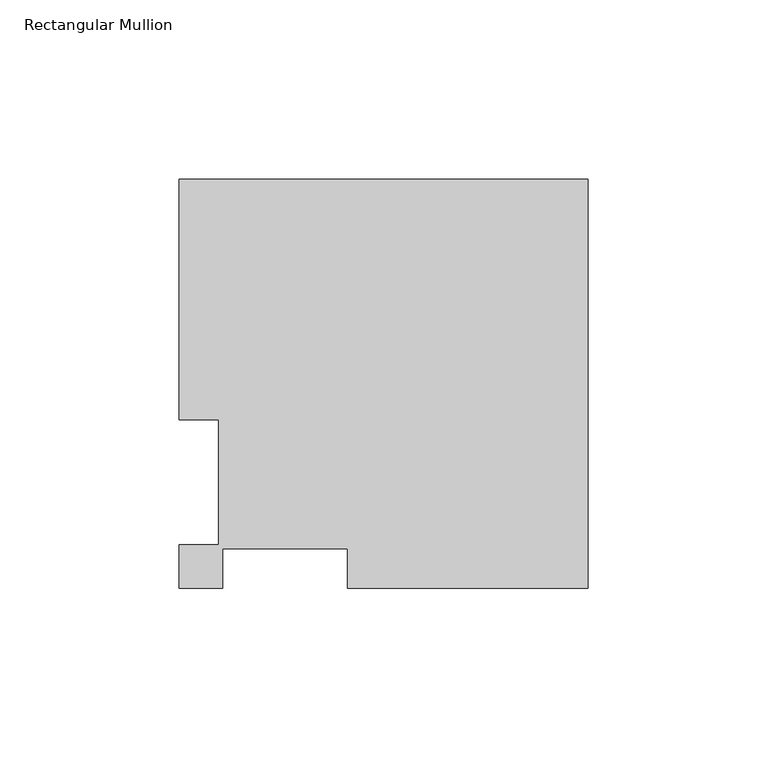
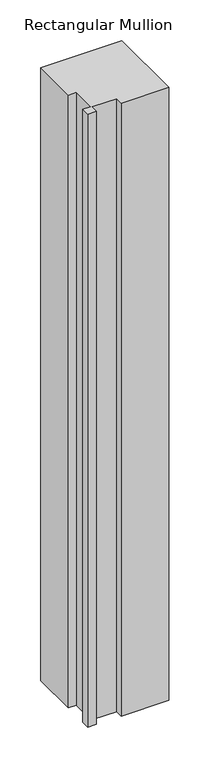
"""IFC4 building model written with IfcOpenShell, lengths in millimetres: member geometry, Rectangular Mullion."""

import ifcopenshell
import ifcopenshell.guid

model = None  # the IFC model being written
_history = None  # IfcOwnerHistory: only IFC2X3 demands one
_inside = {}  # id of a spatial element -> (the spatial element, [elements in it])
_under = {}  # id of a project, library or spatial element -> (it, [spatial elements below it])
_declared = {}  # id of a project -> (the project, [libraries it declares])
_typed = {}  # id of a type object -> (the type object, [elements of that type])
_made_of = {}  # id of a material, layer set ... -> (it, [elements and type objects made of it])


def new_model(schema):
    """Start an empty IFC model of exactly this schema.

    Asked for "IFC4X3", IfcOpenShell would pick the latest addendum, in which some entities
    have other attributes; the version numbers below select the first issue.
    IFC2X3 requires an IfcOwnerHistory on every rooted entity: one is made here for all.
    """
    global model, _history
    if schema == "IFC4X3":
        model = ifcopenshell.file(schema_version=(4, 3, 0, 0))
    else:
        model = ifcopenshell.file(schema=schema)
    _inside.clear()
    _under.clear()
    _declared.clear()
    _typed.clear()
    _made_of.clear()
    _history = None
    if model.schema == "IFC2X3":
        org = make("IfcOrganization", Name="unknown")
        user = make(
            "IfcPersonAndOrganization",
            ThePerson=make("IfcPerson", FamilyName="unknown"),
            TheOrganization=org,
        )
        app = make(
            "IfcApplication",
            ApplicationDeveloper=org,
            Version="unknown",
            ApplicationFullName="unknown",
            ApplicationIdentifier="unknown",
        )
        _history = make(
            "IfcOwnerHistory",
            OwningUser=user,
            OwningApplication=app,
            ChangeAction="ADDED",
            CreationDate=0,
        )
    return model


def make(cls, **values):
    """One entity of the class cls with the attributes given. An attribute that is None is left unset."""
    return model.create_entity(
        cls, **{name: value for name, value in values.items() if value is not None}
    )


def rooted(cls, **values):
    """An entity with a GlobalId (a new one), such as an element, a storey or a relation."""
    return make(cls, GlobalId=ifcopenshell.guid.new(), OwnerHistory=_history, **values)


def si_unit(unit_type, name, prefix=None):
    """IfcSIUnit, for example si_unit("LENGTHUNIT", "METRE", prefix="MILLI")."""
    return make("IfcSIUnit", UnitType=unit_type, Prefix=prefix, Name=name)


def assignment(units):
    """IfcUnitAssignment: the units of a project."""
    return None if units is None else make("IfcUnitAssignment", Units=units)


def point(xyz):
    """IfcCartesianPoint."""
    return None if xyz is None else make("IfcCartesianPoint", Coordinates=xyz)


def direction(xyz):
    """IfcDirection."""
    return None if xyz is None else make("IfcDirection", DirectionRatios=xyz)


def frame(location, z_axis=None, x_axis=None):
    """IfcAxis2Placement3D, a coordinate frame: its origin and axes. An axis left out is left unset."""
    return make(
        "IfcAxis2Placement3D",
        Location=point(location),
        Axis=direction(z_axis),
        RefDirection=direction(x_axis),
    )


def origin():
    """The frame at (0, 0, 0) with its axes left unset."""
    return frame((0.0, 0.0, 0.0))


def place(relative_to, where):
    """IfcLocalPlacement: puts the frame where relative to a parent placement (None: the world)."""
    return make(
        "IfcLocalPlacement", PlacementRelTo=relative_to, RelativePlacement=where
    )


def context(
    kind, dimensions, precision=None, world=None, true_north=None, identifier=None
):
    """IfcGeometricRepresentationContext, for example the 3D "Model" context."""
    return make(
        "IfcGeometricRepresentationContext",
        ContextIdentifier=identifier,
        ContextType=kind,
        CoordinateSpaceDimension=dimensions,
        Precision=precision,
        WorldCoordinateSystem=world,
        TrueNorth=true_north,
    )


def project(units=None, contexts=None):
    """IfcProject with its units and contexts."""
    return rooted(
        "IfcProject",
        Name="project",
        RepresentationContexts=contexts,
        UnitsInContext=assignment(units),
    )


def spatial(cls, under=None, at=None, **own):
    """A site, building, storey or space (cls), placed at a placement, below another one or the project."""
    s = rooted(cls, ObjectPlacement=at, **own)
    if under is not None:
        _under.setdefault(under.id(), (under, []))[1].append(s)
    return s


def polyline(points):
    """IfcPolyline through the points."""
    return make("IfcPolyline", Points=[point(p) for p in points])


def outline(outer, holes=None, kind="AREA"):
    """IfcArbitraryClosedProfileDef: a profile drawn as a closed curve; with holes, ...WithVoids."""
    if holes is None:
        return make("IfcArbitraryClosedProfileDef", ProfileType=kind, OuterCurve=outer)
    return make(
        "IfcArbitraryProfileDefWithVoids",
        ProfileType=kind,
        OuterCurve=outer,
        InnerCurves=holes,
    )


def extrude(swept, where, along, depth):
    """IfcExtrudedAreaSolid: the profile swept, set in the frame where, extruded along a direction by depth."""
    return make(
        "IfcExtrudedAreaSolid",
        SweptArea=swept,
        Position=where,
        ExtrudedDirection=direction(along),
        Depth=depth,
    )


def shape(context_of_items, identifier, shape_type, items):
    """IfcShapeRepresentation: the items that make up one representation, for example the "Body"."""
    return make(
        "IfcShapeRepresentation",
        ContextOfItems=context_of_items,
        RepresentationIdentifier=identifier,
        RepresentationType=shape_type,
        Items=items,
    )


def source(mapping_origin, context_of_items, identifier, shape_type, items):
    """IfcRepresentationMap: a shape defined once, which mapped items show again and again."""
    return make(
        "IfcRepresentationMap",
        MappingOrigin=mapping_origin,
        MappedRepresentation=shape(context_of_items, identifier, shape_type, items),
    )


def transform(
    local_origin,
    x_axis=None,
    y_axis=None,
    z_axis=None,
    scale=None,
    scale2=None,
    scale3=None,
    uniform=True,
):
    """IfcCartesianTransformationOperator3D, or its non-uniform kind. x_axis, y_axis, z_axis: its Axis1, 2, 3."""
    if uniform:
        return make(
            "IfcCartesianTransformationOperator3D",
            Axis1=direction(x_axis),
            Axis2=direction(y_axis),
            LocalOrigin=point(local_origin),
            Scale=scale,
            Axis3=direction(z_axis),
        )
    return make(
        "IfcCartesianTransformationOperator3DnonUniform",
        Axis1=direction(x_axis),
        Axis2=direction(y_axis),
        LocalOrigin=point(local_origin),
        Scale=scale,
        Axis3=direction(z_axis),
        Scale2=scale2,
        Scale3=scale3,
    )


def mapped(mapping_source, mapping_target):
    """IfcMappedItem: shows the shape of a source again, moved by a transform."""
    return make(
        "IfcMappedItem", MappingSource=mapping_source, MappingTarget=mapping_target
    )


def made_of(thing, what):
    """Note that an element or type object is made of a material, layer set ...; save() writes the relation."""
    if what is not None:
        _made_of.setdefault(what.id(), (what, []))[1].append(thing)
    return thing


def element(
    cls,
    number,
    at=None,
    inside=None,
    cuts=None,
    type_object=None,
    material=None,
    context=None,
    identifier="Body",
    shape_type=None,
    held_by="IfcProductDefinitionShape",
    body=None,
    shapes=None,
    **own,
):
    """One element of the class cls, such as IfcWall. Its Tag is "e" and its number.

    at: its placement. inside: the storey or other place that contains it. cuts: it is an
    opening in that element (IfcRelVoidsElement). A single representation is given by context,
    identifier, shape_type and body (its items); several are given by shapes. held_by: the class
    of the entity that holds the representations. save() writes the other relations.
    """
    e = rooted(cls, Tag="e%d" % number, ObjectPlacement=at, **own)
    if body is not None:
        shapes = [shape(context, identifier, shape_type, body)]
    if shapes is not None:
        e.Representation = make(held_by, Representations=shapes)
    if inside is not None:
        _inside.setdefault(inside.id(), (inside, []))[1].append(e)
    if cuts is not None:
        rooted(
            "IfcRelVoidsElement", RelatingBuildingElement=cuts, RelatedOpeningElement=e
        )
    if type_object is not None:
        _typed.setdefault(type_object.id(), (type_object, []))[1].append(e)
    return made_of(e, material)


def aggregate(whole, parts):
    """IfcRelAggregates: a whole, such as a stair, and the parts it consists of."""
    return rooted("IfcRelAggregates", RelatingObject=whole, RelatedObjects=parts)


def save(model, path):
    """Write the relations noted so far, then the file.

    IfcRelAggregates (storeys below a building ...), IfcRelContainedInSpatialStructure (elements
    in a storey), IfcRelDefinesByType, IfcRelAssociatesMaterial and IfcRelDeclares: one each for
    every whole, place, type object, material and project.
    """
    for whole, parts in _under.values():
        aggregate(whole, parts)
    for where, things in _inside.values():
        rooted(
            "IfcRelContainedInSpatialStructure",
            RelatedElements=things,
            RelatingStructure=where,
        )
    for kind, things in _typed.values():
        rooted("IfcRelDefinesByType", RelatedObjects=things, RelatingType=kind)
    for what, things in _made_of.values():
        rooted("IfcRelAssociatesMaterial", RelatedObjects=things, RelatingMaterial=what)
    for by, libraries in _declared.values():
        rooted("IfcRelDeclares", RelatingContext=by, RelatedDefinitions=libraries)
    model.write(path)


def rectangular_mullion_b1073c28(model_context):
    return source(origin(), model_context, "Body", "SweptSolid", [
        extrude(outline(polyline([(-114.3, 114.252375), (0.0, 114.252375), (0.0, -0.047625), (-67.183, -0.047625), (-67.183, 11.064875), (-102.108, 11.064875), (-102.108, -0.047625), (-114.3, -0.047625), (-114.3, 12.144375), (-103.1875, 12.144375), (-103.1875, 47.069375), (-114.3, 47.069375), (-114.3, 114.252375)])), frame((0.0, 0.0, -914.4), z_axis=(0.0, 0.0, 1.0), x_axis=(1.0, 0.0, 0.0)), (0.0, 0.0, 1.0), 914.4),
    ])


if __name__ == "__main__":
    model = new_model("IFC4")
    model_context = context("Model", 3, world=origin())
    ifc_project = project(units=[si_unit("LENGTHUNIT", "METRE", prefix="MILLI")], contexts=[model_context])
    site = spatial("IfcSite", under=ifc_project)
    building = spatial("IfcBuilding", under=site)
    placement = place(None, origin())
    rectangular_mullion_shape = rectangular_mullion_b1073c28(model_context)
    element("IfcMember", 1, ObjectType="Rectangular Mullion", at=placement, inside=building, context=model_context, shape_type="MappedRepresentation", body=[
        mapped(rectangular_mullion_shape, transform((0.0, 0.0, 0.0), x_axis=(1.0, 0.0, 0.0), y_axis=(0.0, 1.0, 0.0), z_axis=(0.0, 0.0, 1.0))),
    ])
    save(model, "model.ifc")
